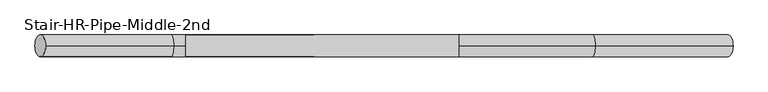
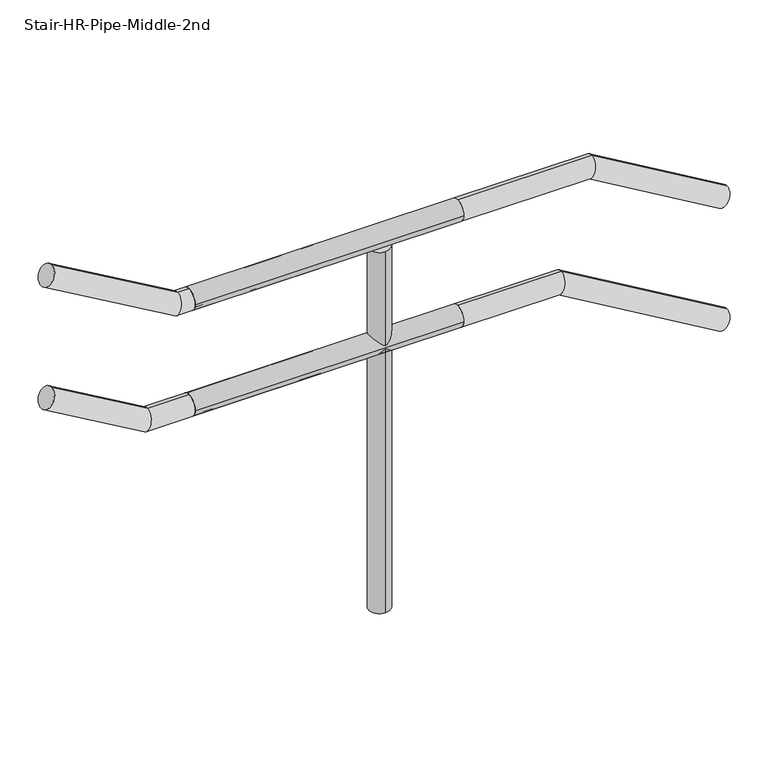
"""IFC4 building model written with IfcOpenShell, lengths in millimetres: railing geometry, Stair-HR-Pipe-Middle-2nd."""

from ifc_helpers import new_model, si_unit, point, frame, frame_2d, origin, place, context, project, spatial, circle_curve, ellipse_curve, trimmed, segment, composite_curve, outline, extrude, source, transform, mapped, element, save
from ifc_brep_helpers import plane_surface, cylinder_surface, advanced_brep


def stair_hr_pipe_middle_2nd_e8104439(model_context):
    return source(origin(), model_context, "Body", "SolidModel", [
        extrude(outline(composite_curve([segment(trimmed(circle_curve(frame_2d((-27984.5311232, 3531.8898438)), 24.1101562), [point((-27960.4209669, 3531.8898438))], [point((-28008.6412794, 3531.8898438))], False, "CARTESIAN"), True, "CONTINUOUS"), segment(trimmed(circle_curve(frame_2d((-27984.5311232, 3531.8898438)), 24.1101562), [point((-28008.6412794, 3531.8898438))], [point((-27960.4209669, 3531.8898438))], False, "CARTESIAN"), True, "CONTINUOUS")], self_intersect=False)), frame((22841.4873038, 0.0, 0.0), z_axis=(1.0, 0.0, 0.0), x_axis=(0.0, 1.0, 0.0)), (0.0, 0.0, 1.0), 609.6),
        extrude(outline(composite_curve([segment(trimmed(circle_curve(frame_2d((-27984.5311232, 3277.8898438)), 24.1101562), [point((-27960.4209669, 3277.8898438))], [point((-28008.6412794, 3277.8898438))], False, "CARTESIAN"), True, "CONTINUOUS"), segment(trimmed(circle_curve(frame_2d((-27984.5311232, 3277.8898438)), 24.1101562), [point((-28008.6412794, 3277.8898438))], [point((-27960.4209669, 3277.8898438))], False, "CARTESIAN"), True, "CONTINUOUS")], self_intersect=False)), frame((22841.4873038, 0.0, 0.0), z_axis=(1.0, 0.0, 0.0), x_axis=(0.0, 1.0, 0.0)), (0.0, 0.0, 1.0), 609.6),
        extrude(outline(composite_curve([segment(trimmed(circle_curve(frame_2d((23273.2873038, -27984.5311232)), 24.1101562), [point((23273.2873038, -27960.4209669))], [point((23273.2873038, -28008.6412794))], False, "CARTESIAN"), True, "CONTINUOUS"), segment(trimmed(circle_curve(frame_2d((23273.2873038, -27984.5311232)), 24.1101562), [point((23273.2873038, -28008.6412794))], [point((23273.2873038, -27960.4209669))], False, "CARTESIAN"), True, "CONTINUOUS")], self_intersect=False)), frame((0.0, 0.0, 2641.6), z_axis=(0.0, 0.0, 1.0), x_axis=(1.0, 0.0, 0.0)), (0.0, 0.0, 1.0), 866.1796875),
        advanced_brep(
        [(23127.2284812, -27984.5311232, 3302.0198408), (23127.2284812, -27984.5311232, 3253.7598408), (22734.5220012, -27984.5311232, 3253.7598408), (22747.5397639, -27984.5311232, 3302.0198408), (22529.9059805, -27984.5311232, 3428.6431331), (22505.6363364, -27984.5311232, 3386.9296824)],
        [
            (0, 1, circle_curve(frame((23127.2284812, -27984.5311232, 3277.8898408), z_axis=(1.0, 0.0, 0.0), x_axis=(0.0, 0.0, -1.0)), 24.13)),
            (1, 0, circle_curve(frame((23127.2284812, -27984.5311232, 3277.8898408), z_axis=(1.0, 0.0, 0.0), x_axis=(0.0, 0.0, -1.0)), 24.13)),
            (1, 2),
            (2, 3, ellipse_curve(frame((22741.0308825, -27984.5311232, 3277.8898408), z_axis=(0.9654916719906738, 0.0, -0.260433928889178), x_axis=(0.2604339288891773, 0.0, 0.9654916719906739)), 24.9924476, 24.13)),
            (3, 0),
            (3, 2, ellipse_curve(frame((22741.0308825, -27984.5311232, 3277.8898408), z_axis=(0.9654916719906738, 0.0, -0.260433928889178), x_axis=(0.2604339288891773, 0.0, 0.9654916719906739)), 24.9924476, 24.13)),
            (4, 5, circle_curve(frame((22517.7711585, -27984.5311232, 3407.7864077), z_axis=(-0.8643483373666949, 0.0, 0.5028935788926225), x_axis=(-0.5028935788926225, 0.0, -0.8643483373666949)), 24.13)),
            (5, 4, circle_curve(frame((22517.7711585, -27984.5311232, 3407.7864077), z_axis=(-0.8643483373666949, 0.0, 0.5028935788926225), x_axis=(-0.5028935788926225, 0.0, -0.8643483373666949)), 24.13)),
            (2, 5),
            (4, 3),
        ],
        [
            plane_surface(frame((23127.2284812, -27984.5311232, 3277.8898408), z_axis=(1.0, 0.0, 0.0), x_axis=(0.0, 1.0, 0.0))),
            cylinder_surface(frame((23127.2284812, -27984.5311232, 3277.8898408), z_axis=(1.0, 0.0, 0.0), x_axis=(0.0, 0.0, -1.0)), 24.13),
            plane_surface(frame((22517.7711585, -27984.5311232, 3407.7864077), z_axis=(-0.8643483373666949, 0.0, 0.5028935788926225), x_axis=(0.0, 1.0, 0.0))),
            cylinder_surface(frame((22741.0308825, -27984.5311232, 3277.8898408), z_axis=(0.8643483373666949, 0.0, -0.5028935788926225), x_axis=(-0.5028935788926225, 0.0, -0.8643483373666949)), 24.13),
        ],
        [
            (0, [[1, 2]]),
            (1, [[3, 4, 5, -2]]),
            (1, [[-5, 6, -3, -1]]),
            (2, [[7, 8]]),
            (3, [[9, -7, 10, -4]]),
            (3, [[-10, -8, -9, -6]]),
        ],
    ),
        advanced_brep(
        [(23127.2284812, -27984.5311232, 3556.0198467), (23127.2284812, -27984.5311232, 3507.7598467), (22803.0365313, -27984.5311232, 3507.7598467), (22816.0542939, -27984.5311232, 3556.0198467), (22529.9059805, -27984.5311232, 3722.5061384), (22505.6363364, -27984.5311232, 3680.7926876)],
        [
            (0, 1, circle_curve(frame((23127.2284812, -27984.5311232, 3531.8898467), z_axis=(1.0, 0.0, 0.0), x_axis=(0.0, 0.0, -1.0)), 24.13)),
            (1, 0, circle_curve(frame((23127.2284812, -27984.5311232, 3531.8898467), z_axis=(1.0, 0.0, 0.0), x_axis=(0.0, 0.0, -1.0)), 24.13)),
            (1, 2),
            (2, 3, ellipse_curve(frame((22809.5454126, -27984.5311232, 3531.8898467), z_axis=(0.9654916719906736, 0.0, -0.2604339288891781), x_axis=(0.2604339288891777, 0.0, 0.9654916719906736)), 24.9924476, 24.13)),
            (3, 0),
            (3, 2, ellipse_curve(frame((22809.5454126, -27984.5311232, 3531.8898467), z_axis=(0.9654916719906736, 0.0, -0.2604339288891781), x_axis=(0.2604339288891777, 0.0, 0.9654916719906736)), 24.9924476, 24.13)),
            (4, 5, circle_curve(frame((22517.7711585, -27984.5311232, 3701.649413), z_axis=(-0.8643483373666948, 0.0, 0.5028935788926227), x_axis=(-0.5028935788926227, 0.0, -0.8643483373666948)), 24.13)),
            (5, 4, circle_curve(frame((22517.7711585, -27984.5311232, 3701.649413), z_axis=(-0.8643483373666948, 0.0, 0.5028935788926227), x_axis=(-0.5028935788926227, 0.0, -0.8643483373666948)), 24.13)),
            (2, 5),
            (4, 3),
        ],
        [
            plane_surface(frame((23127.2284812, -27984.5311232, 3531.8898467), z_axis=(1.0, 0.0, 0.0), x_axis=(0.0, 1.0, 0.0))),
            cylinder_surface(frame((23127.2284812, -27984.5311232, 3531.8898467), z_axis=(1.0, 0.0, 0.0), x_axis=(0.0, 0.0, -1.0)), 24.13),
            plane_surface(frame((22517.7711585, -27984.5311232, 3701.649413), z_axis=(-0.8643483373666948, 0.0, 0.5028935788926227), x_axis=(0.0, 1.0, 0.0))),
            cylinder_surface(frame((22809.5454126, -27984.5311232, 3531.8898467), z_axis=(0.8643483373666948, 0.0, -0.5028935788926227), x_axis=(-0.5028935788926227, 0.0, -0.8643483373666948)), 24.13),
        ],
        [
            (0, [[1, 2]]),
            (1, [[3, 4, 5, -2]]),
            (1, [[-5, 6, -3, -1]]),
            (2, [[7, 8]]),
            (3, [[9, -7, 10, -4]]),
            (3, [[-10, -8, -9, -6]]),
        ],
    ),
        advanced_brep(
        [(24062.3166867, -27984.5311232, 3079.9201568), (24037.76541, -27984.5311232, 3038.3718426), (23673.2962224, -27984.5311232, 3253.74), (23686.4892616, -27984.5311232, 3302.0), (23451.0873038, -27984.5311232, 3302.0), (23451.0873038, -27984.5311232, 3253.74)],
        [
            (0, 1, circle_curve(frame((24050.0410483, -27984.5311232, 3059.1459997), z_axis=(0.8609265270821438, 0.0, -0.5087293140426239), x_axis=(-0.5087293140426239, 0.0, -0.8609265270821438)), 24.13)),
            (1, 0, circle_curve(frame((24050.0410483, -27984.5311232, 3059.1459997), z_axis=(0.8609265270821438, 0.0, -0.5087293140426239), x_axis=(-0.5087293140426239, 0.0, -0.8609265270821438)), 24.13)),
            (1, 2),
            (2, 3, ellipse_curve(frame((23679.892742, -27984.5311232, 3277.87), z_axis=(0.9646052371520026, 0.0, -0.26369819199025407), x_axis=(-0.26369819199025457, 0.0, -0.9646052371520024)), 25.0154147, 24.13)),
            (3, 0),
            (3, 2, ellipse_curve(frame((23679.892742, -27984.5311232, 3277.87), z_axis=(0.9646052371520026, 0.0, -0.26369819199025407), x_axis=(-0.26369819199025457, 0.0, -0.9646052371520024)), 25.0154147, 24.13)),
            (4, 5, circle_curve(frame((23451.0873038, -27984.5311232, 3277.87), z_axis=(-1.0, 0.0, 0.0), x_axis=(0.0, 0.0, -1.0)), 24.13)),
            (5, 4, circle_curve(frame((23451.0873038, -27984.5311232, 3277.87), z_axis=(-1.0, 0.0, 0.0), x_axis=(0.0, 0.0, -1.0)), 24.13)),
            (2, 5),
            (4, 3),
        ],
        [
            plane_surface(frame((24050.0410483, -27984.5311232, 3059.1459997), z_axis=(0.8609265270821438, 0.0, -0.5087293140426239), x_axis=(0.0, 1.0, 0.0))),
            cylinder_surface(frame((24050.0410483, -27984.5311232, 3059.1459997), z_axis=(0.8609265270821438, 0.0, -0.5087293140426239), x_axis=(-0.5087293140426239, 0.0, -0.8609265270821438)), 24.13),
            plane_surface(frame((23451.0873038, -27984.5311232, 3277.87), z_axis=(-1.0, 0.0, 0.0), x_axis=(0.0, 1.0, 0.0))),
            cylinder_surface(frame((23679.892742, -27984.5311232, 3277.87), z_axis=(1.0, 0.0, 0.0), x_axis=(0.0, 0.0, -1.0)), 24.13),
        ],
        [
            (0, [[1, 2]]),
            (1, [[3, 4, 5, -2]]),
            (1, [[-5, 6, -3, -1]]),
            (2, [[7, 8]]),
            (3, [[9, -7, 10, -4]]),
            (3, [[-10, -8, -9, -6]]),
        ],
    ),
        advanced_brep(
        [(24062.3166867, -27984.5311232, 3374.9511403), (24037.76541, -27984.5311232, 3333.4028261), (23742.733271, -27984.5311232, 3507.74), (23755.9263103, -27984.5311232, 3556.0), (23451.0873038, -27984.5311232, 3556.0), (23451.0873038, -27984.5311232, 3507.74)],
        [
            (0, 1, circle_curve(frame((24050.0410483, -27984.5311232, 3354.1769832), z_axis=(0.8609265270821439, 0.0, -0.5087293140426238), x_axis=(-0.5087293140426238, 0.0, -0.8609265270821439)), 24.13)),
            (1, 0, circle_curve(frame((24050.0410483, -27984.5311232, 3354.1769832), z_axis=(0.8609265270821439, 0.0, -0.5087293140426238), x_axis=(-0.5087293140426238, 0.0, -0.8609265270821439)), 24.13)),
            (1, 2),
            (2, 3, ellipse_curve(frame((23749.3297906, -27984.5311232, 3531.87), z_axis=(0.9646052371520026, 0.0, -0.263698191990254), x_axis=(-0.26369819199025424, 0.0, -0.9646052371520026)), 25.0154147, 24.13)),
            (3, 0),
            (3, 2, ellipse_curve(frame((23749.3297906, -27984.5311232, 3531.87), z_axis=(0.9646052371520026, 0.0, -0.263698191990254), x_axis=(-0.26369819199025424, 0.0, -0.9646052371520026)), 25.0154147, 24.13)),
            (4, 5, circle_curve(frame((23451.0873038, -27984.5311232, 3531.87), z_axis=(-1.0, 0.0, 0.0), x_axis=(0.0, 0.0, -1.0)), 24.13)),
            (5, 4, circle_curve(frame((23451.0873038, -27984.5311232, 3531.87), z_axis=(-1.0, 0.0, 0.0), x_axis=(0.0, 0.0, -1.0)), 24.13)),
            (2, 5),
            (4, 3),
        ],
        [
            plane_surface(frame((24050.0410483, -27984.5311232, 3354.1769832), z_axis=(0.8609265270821439, 0.0, -0.5087293140426238), x_axis=(0.0, 1.0, 0.0))),
            cylinder_surface(frame((24050.0410483, -27984.5311232, 3354.1769832), z_axis=(0.8609265270821439, 0.0, -0.5087293140426238), x_axis=(-0.5087293140426238, 0.0, -0.8609265270821439)), 24.13),
            plane_surface(frame((23451.0873038, -27984.5311232, 3531.87), z_axis=(-1.0, 0.0, 0.0), x_axis=(0.0, 1.0, 0.0))),
            cylinder_surface(frame((23749.3297906, -27984.5311232, 3531.87), z_axis=(1.0, 0.0, 0.0), x_axis=(0.0, 0.0, -1.0)), 24.13),
        ],
        [
            (0, [[1, 2]]),
            (1, [[3, 4, 5, -2]]),
            (1, [[-5, 6, -3, -1]]),
            (2, [[7, 8]]),
            (3, [[9, -7, 10, -4]]),
            (3, [[-10, -8, -9, -6]]),
        ],
    ),
    ])


if __name__ == "__main__":
    model = new_model("IFC4")
    model_context = context("Model", 3, world=origin())
    ifc_project = project(units=[si_unit("LENGTHUNIT", "METRE", prefix="MILLI")], contexts=[model_context])
    site = spatial("IfcSite", under=ifc_project)
    building = spatial("IfcBuilding", under=site)
    placement = place(None, origin())
    stair_hr_pipe_middle_2nd_shape = stair_hr_pipe_middle_2nd_e8104439(model_context)
    element("IfcRailing", 1, ObjectType="Stair-HR-Pipe-Middle-2nd", at=placement, inside=building, context=model_context, shape_type="MappedRepresentation", body=[
        mapped(stair_hr_pipe_middle_2nd_shape, transform((0.0, 0.0, 0.0), x_axis=(1.0, 0.0, 0.0), y_axis=(0.0, 1.0, 0.0), z_axis=(0.0, 0.0, 1.0))),
    ])
    save(model, "model.ifc")
